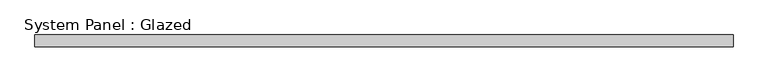
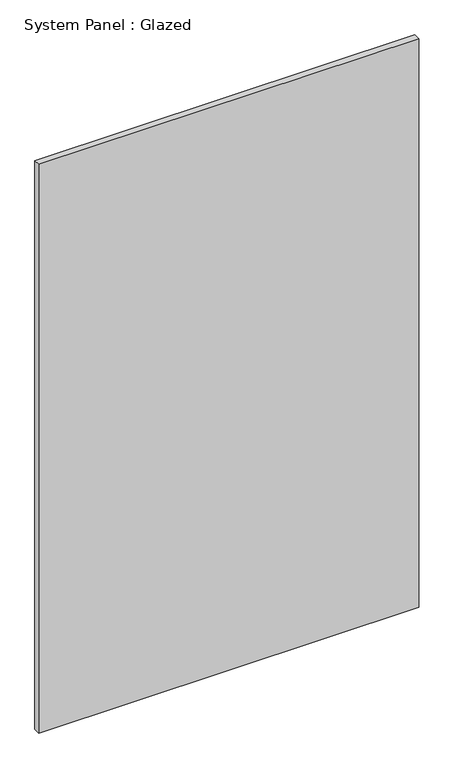
"""IFC4 building model written with IfcOpenShell, lengths in millimetres: plate geometry, System Panel : Glazed."""

from ifc_helpers import new_model, si_unit, origin, origin_with_axes, place, context, project, spatial, polyline, outline, extrude, source, transform, mapped, element, save


def system_panel_glazed_1c8115ae(model_context):
    return source(origin(), model_context, "Body", "SweptSolid", [
        extrude(outline(polyline([(734.9750146, 24.5), (-734.9750146, 24.5), (-734.9750146, 49.5), (734.9750146, 49.5), (734.9750146, 24.5)])), origin_with_axes(), (0.0, 0.0, 1.0), 2325.0),
    ])


if __name__ == "__main__":
    model = new_model("IFC4")
    model_context = context("Model", 3, world=origin())
    ifc_project = project(units=[si_unit("LENGTHUNIT", "METRE", prefix="MILLI")], contexts=[model_context])
    site = spatial("IfcSite", under=ifc_project)
    building = spatial("IfcBuilding", under=site)
    placement = place(None, origin())
    system_panel_glazed_shape = system_panel_glazed_1c8115ae(model_context)
    element("IfcPlate", 1, ObjectType="System Panel : Glazed", at=placement, inside=building, context=model_context, shape_type="MappedRepresentation", body=[
        mapped(system_panel_glazed_shape, transform((0.0, 0.0, 0.0), x_axis=(1.0, 0.0, 0.0), y_axis=(0.0, 1.0, 0.0), z_axis=(0.0, 0.0, 1.0))),
    ])
    save(model, "model.ifc")
